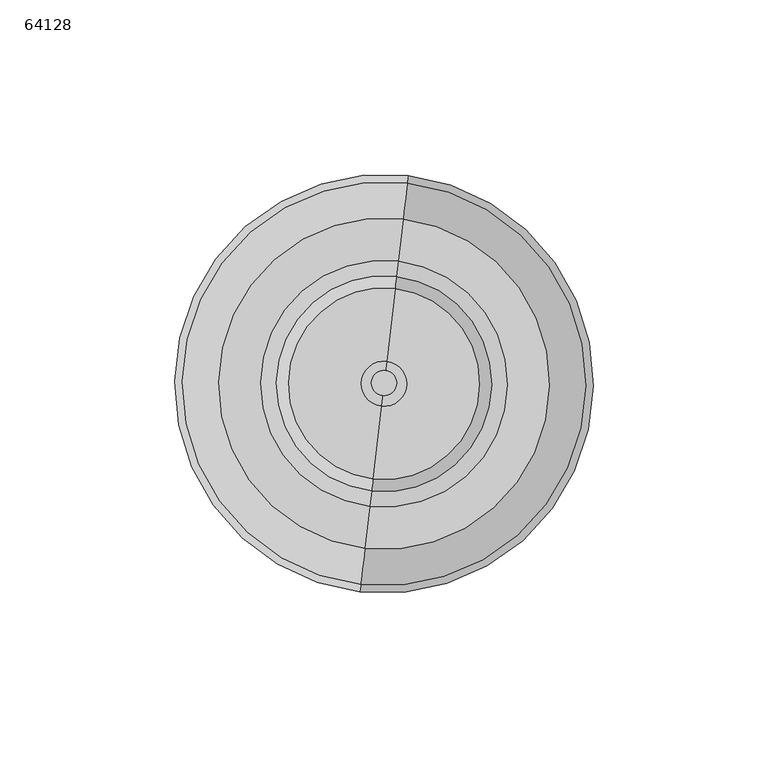
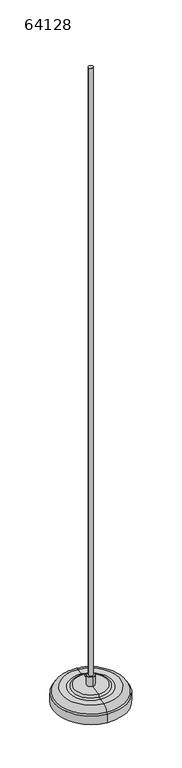
"""IFC4 building model written with IfcOpenShell, lengths in millimetres: light fixture geometry, 64128."""

from ifc_helpers import new_model, si_unit, point, frame, frame_2d, origin, origin_with_axes, origin_2d, place, context, project, spatial, polyline, circle_curve, ellipse_curve, trimmed, segment, composite_curve, outline, extrude, source, transform, mapped, element, save
from ifc_brep_helpers import plane_surface, cylinder_surface, revolved_surface, advanced_brep


def light_fixture_64128_8e69346f(model_context):
    return source(origin(), model_context, "Body", "SolidModel", [
        extrude(outline(polyline([(2.4123133, -56.5444702), (-15.269553, -54.4971294), (-2.4123133, 56.5444702), (15.269553, 54.4971294), (2.4123133, -56.5444702)]), holes=[composite_curve([segment(trimmed(circle_curve(origin_2d(), 5.0), [point((0.5750957, 4.9668164))], [point((-0.5750957, -4.9668164))], True, "CARTESIAN"), True, "CONTINUOUS"), segment(trimmed(circle_curve(origin_2d(), 5.0), [point((-0.5750957, -4.9668164))], [point((0.5750957, 4.9668164))], True, "CARTESIAN"), True, "CONTINUOUS")], self_intersect=False), composite_curve([segment(polyline([(6.9671096, 39.3053769), (8.1403049, 49.4376823)]), True, "CONTINUOUS"), segment(trimmed(circle_curve(frame_2d((5.756233, 49.7137283)), 2.4), [point((8.1403049, 49.4376823))], [point((3.3721611, 49.9897742))], True, "CARTESIAN"), True, "CONTINUOUS"), segment(polyline([(3.3721611, 49.9897742), (2.1989659, 39.8574688)]), True, "CONTINUOUS"), segment(trimmed(circle_curve(frame_2d((4.5830377, 39.5814229)), 2.4), [point((2.1989659, 39.8574688))], [point((6.9671096, 39.3053769))], True, "CARTESIAN"), True, "CONTINUOUS")], self_intersect=False), composite_curve([segment(polyline([(-2.4101812, -42.5510516), (-7.3769976, -41.9759559)]), True, "CONTINUOUS"), segment(trimmed(circle_curve(frame_2d((-7.6530436, -44.3600277)), 2.4), [point((-7.3769976, -41.9759559))], [point((-7.9290895, -46.7440996))], True, "CARTESIAN"), True, "CONTINUOUS"), segment(polyline([(-7.9290895, -46.7440996), (-2.9622731, -47.3191953)]), True, "CONTINUOUS"), segment(trimmed(circle_curve(frame_2d((-2.6862272, -44.9351234)), 2.4), [point((-2.9622731, -47.3191953))], [point((-2.4101812, -42.5510516))], True, "CARTESIAN"), True, "CONTINUOUS")], self_intersect=False)]), origin_with_axes(), (0.0, 0.0, 1.0), 2.0),
        advanced_brep(
        [(-3.5602957, -30.7485077, 27.0266614), (3.5602957, 30.7485077, 27.0266614), (4.0663484, 35.1190339, 25.9752749), (-4.0663484, -35.1190339, 25.9752749), (-3.1619698, -27.3083645, 29.9954966), (3.1619698, 27.3083645, 29.9954966), (-0.7433622, -6.4200502, 29.9954966), (0.7433622, 6.4200502, 29.9954966), (-0.7433622, -6.4200502, 47.0030052), (0.7433622, 6.4200502, 47.0030052), (-0.3450574, -2.9800898, 47.0030052), (0.3450574, 2.9800898, 47.0030052), (-0.3450574, -2.9800898, 42.0030052), (0.3450574, 2.9800898, 42.0030052), (0.0, 0.0, 42.0030052), (-6.7861295, -58.6084332, 12.0030052), (6.7861295, 58.6084332, 12.0030052), (0.0, 0.0, 12.0030052), (-6.7861295, -58.6084332, 0.0), (6.7861295, 58.6084332, 0.0), (-6.9011486, -59.6017965, 0.0), (6.9011486, 59.6017965, 0.0), (-6.9011486, -59.6017965, 15.0283787), (6.9011486, 59.6017965, 15.0283787), (-6.6617847, -57.5345286, 17.0076488), (6.6617847, 57.5345286, 17.0076488), (-5.4667263, -47.2134028, 25.9752749), (5.4667263, 47.2134028, 25.9752749)],
        [
            (0, 1, circle_curve(frame((0.0, 0.0, 27.0266614), z_axis=(0.0, 0.0, -1.0), x_axis=(0.11501914387783876, 0.9933632752128544, 0.0)), 30.9539405)),
            (1, 2, circle_curve(frame((4.1136901, 35.5279004, 37.4291215), z_axis=(0.9933632752128544, -0.11501914387783876, 0.0), x_axis=(-0.11501914387783876, -0.9933632752128544, 0.0)), 11.4612397)),
            (2, 3, circle_curve(frame((0.0, 0.0, 25.9752749), z_axis=(0.0, 0.0, 1.0), x_axis=(0.11501914387783876, 0.9933632752128544, 0.0)), 35.3536664)),
            (3, 0, circle_curve(frame((-4.1136901, -35.5279004, 37.4291215), z_axis=(0.9933632752128541, -0.11501914387784197, 0.0), x_axis=(0.11501914387784197, 0.9933632752128541, 0.0)), 11.4612397)),
            (1, 0, circle_curve(frame((0.0, 0.0, 27.0266614), z_axis=(0.0, 0.0, -1.0), x_axis=(0.11501914387783876, 0.9933632752128544, 0.0)), 30.9539405)),
            (3, 2, circle_curve(frame((0.0, 0.0, 25.9752749), z_axis=(0.0, 0.0, 1.0), x_axis=(0.11501914387783876, 0.9933632752128544, 0.0)), 35.3536664)),
            (4, 5, circle_curve(frame((0.0, 0.0, 29.9954966), z_axis=(0.0, 0.0, -1.0), x_axis=(0.11501914387783876, 0.9933632752128544, 0.0)), 27.4908135)),
            (5, 1, circle_curve(frame((2.9275749, 25.2840118, 24.1140503), z_axis=(-0.9933632752128544, 0.11501914387783876, 0.0), x_axis=(-0.11501914387783876, -0.9933632752128544, 0.0)), 6.2244964)),
            (0, 4, circle_curve(frame((-2.9275749, -25.2840118, 24.1140503), z_axis=(-0.9933632752128541, 0.11501914387784197, 0.0), x_axis=(0.11501914387784197, 0.9933632752128541, 0.0)), 6.2244964)),
            (5, 4, circle_curve(frame((0.0, 0.0, 29.9954966), z_axis=(0.0, 0.0, -1.0), x_axis=(0.11501914387783876, 0.9933632752128544, 0.0)), 27.4908135)),
            (6, 7, circle_curve(frame((0.0, 0.0, 29.9954966), z_axis=(0.0, 0.0, -1.0), x_axis=(0.11501914387783876, 0.9933632752128544, 0.0)), 6.462943)),
            (7, 5),
            (4, 6),
            (7, 6, circle_curve(frame((0.0, 0.0, 29.9954966), z_axis=(0.0, 0.0, -1.0), x_axis=(0.11501914387783876, 0.9933632752128544, 0.0)), 6.462943)),
            (8, 9, circle_curve(frame((0.0, 0.0, 47.0030052), z_axis=(0.0, 0.0, -1.0), x_axis=(0.11501914387783876, 0.9933632752128544, 0.0)), 6.462943)),
            (9, 7),
            (6, 8),
            (9, 8, circle_curve(frame((0.0, 0.0, 47.0030052), z_axis=(0.0, 0.0, -1.0), x_axis=(0.11501914387783876, 0.9933632752128544, 0.0)), 6.462943)),
            (10, 11, circle_curve(frame((0.0, 0.0, 47.0030052), z_axis=(0.0, 0.0, -1.0), x_axis=(0.11501914387783876, 0.9933632752128544, 0.0)), 3.0)),
            (11, 9),
            (8, 10),
            (11, 10, circle_curve(frame((0.0, 0.0, 47.0030052), z_axis=(0.0, 0.0, -1.0), x_axis=(0.11501914387783876, 0.9933632752128544, 0.0)), 3.0)),
            (12, 13, circle_curve(frame((0.0, 0.0, 42.0030052), z_axis=(0.0, 0.0, -1.0), x_axis=(0.11501914387783876, 0.9933632752128544, 0.0)), 3.0)),
            (13, 11),
            (10, 12),
            (13, 12, circle_curve(frame((0.0, 0.0, 42.0030052), z_axis=(0.0, 0.0, -1.0), x_axis=(0.11501914387783876, 0.9933632752128544, 0.0)), 3.0)),
            (14, 13),
            (12, 14),
            (15, 16, circle_curve(frame((0.0, 0.0, 12.0030052), z_axis=(0.0, 0.0, -1.0), x_axis=(0.11501914387783876, 0.9933632752128544, 0.0)), 59.0)),
            (16, 17),
            (17, 15),
            (16, 15, circle_curve(frame((0.0, 0.0, 12.0030052), z_axis=(0.0, 0.0, -1.0), x_axis=(0.11501914387783876, 0.9933632752128544, 0.0)), 59.0)),
            (18, 19, circle_curve(frame((0.0, 0.0, 0.0), z_axis=(0.0, 0.0, -1.0), x_axis=(0.11501914387783876, 0.9933632752128544, 0.0)), 59.0)),
            (19, 16),
            (15, 18),
            (19, 18, circle_curve(frame((0.0, 0.0, 0.0), z_axis=(0.0, 0.0, -1.0), x_axis=(0.11501914387783876, 0.9933632752128544, 0.0)), 59.0)),
            (20, 21, circle_curve(frame((0.0, 0.0, 0.0), z_axis=(0.0, 0.0, -1.0), x_axis=(0.11501914387783876, 0.9933632752128544, 0.0)), 60.0)),
            (21, 19),
            (18, 20),
            (21, 20, circle_curve(frame((0.0, 0.0, 0.0), z_axis=(0.0, 0.0, -1.0), x_axis=(0.11501914387783876, 0.9933632752128544, 0.0)), 60.0)),
            (22, 23, circle_curve(frame((0.0, 0.0, 15.0283787), z_axis=(0.0, 0.0, -1.0), x_axis=(0.11501914387783876, 0.9933632752128544, 0.0)), 60.0)),
            (23, 21),
            (20, 22),
            (23, 22, circle_curve(frame((0.0, 0.0, 15.0283787), z_axis=(0.0, 0.0, -1.0), x_axis=(0.11501914387783876, 0.9933632752128544, 0.0)), 60.0)),
            (24, 25, circle_curve(frame((0.0, 0.0, 17.0076488), z_axis=(0.0, 0.0, -1.0), x_axis=(0.11501914387783876, 0.9933632752128544, 0.0)), 57.9189206)),
            (25, 23, circle_curve(frame((6.6196665, 57.1707753, 14.5389317), z_axis=(-0.9933632752128544, 0.11501914387783876, 0.0), x_axis=(-0.11501914387783876, -0.9933632752128544, 0.0)), 2.4957273)),
            (22, 24, circle_curve(frame((-6.6196665, -57.1707753, 14.5389317), z_axis=(-0.9933632752128541, 0.11501914387784197, 0.0), x_axis=(0.11501914387784197, 0.9933632752128541, 0.0)), 2.4957273)),
            (25, 24, circle_curve(frame((0.0, 0.0, 17.0076488), z_axis=(0.0, 0.0, -1.0), x_axis=(0.11501914387783876, 0.9933632752128544, 0.0)), 57.9189206)),
            (26, 27, circle_curve(frame((0.0, 0.0, 25.9752749), z_axis=(0.0, 0.0, -1.0), x_axis=(0.11501914387783876, 0.9933632752128544, 0.0)), 47.5288387)),
            (27, 25, circle_curve(frame((5.4667263, 47.2134028, 15.4723771), z_axis=(-0.9933632752128544, 0.11501914387783876, 0.0), x_axis=(-0.11501914387783876, -0.9933632752128544, 0.0)), 10.5028978)),
            (24, 26, circle_curve(frame((-5.4667263, -47.2134028, 15.4723771), z_axis=(-0.9933632752128541, 0.11501914387784197, 0.0), x_axis=(0.11501914387784197, 0.9933632752128541, 0.0)), 10.5028978)),
            (27, 26, circle_curve(frame((0.0, 0.0, 25.9752749), z_axis=(0.0, 0.0, -1.0), x_axis=(0.11501914387783876, 0.9933632752128544, 0.0)), 47.5288387)),
            (2, 27),
            (26, 3),
        ],
        [
            revolved_surface(trimmed(ellipse_curve(frame((4.1136901, 35.5279004, 37.4291215), z_axis=(-0.9933632752128544, 0.11501914387783876, 0.0), x_axis=(-0.11501914387783876, -0.9933632752128544, 0.0)), 11.4612397, 11.4612397), [point((4.0663484, 35.1190339, 25.9752749))], [point((3.5602957, 30.7485077, 27.0266614))], True, "CARTESIAN"), (0.0, 0.0, 1792.7915513), (0.0, 0.0, 1.0)),
            revolved_surface(trimmed(ellipse_curve(frame((2.9275749, 25.2840118, 24.1140503), z_axis=(0.9933632752128544, -0.11501914387783876, 0.0), x_axis=(-0.11501914387783876, -0.9933632752128544, 0.0)), 6.2244964, 6.2244964), [point((3.5602957, 30.7485077, 27.0266614))], [point((3.1619698, 27.3083645, 29.9954966))], True, "CARTESIAN"), (0.0, 0.0, 1792.7915513), (0.0, 0.0, 1.0)),
            plane_surface(frame((0.0, 0.0, 29.9954966), z_axis=(0.0, 0.0, 1.0000000000000002), x_axis=(0.11501914387783876, 0.9933632752128544, 0.0))),
            cylinder_surface(frame((0.0, 0.0, 1792.7915513), z_axis=(0.0, 0.0, 1.0), x_axis=(0.11501914387783876, 0.9933632752128544, 0.0)), 6.462943),
            plane_surface(frame((0.0, 0.0, 47.0030052), z_axis=(0.0, 0.0, 1.0000000000000002), x_axis=(0.11501914387783876, 0.9933632752128544, 0.0))),
            revolved_surface(polyline([(0.3450574316335163, 2.9800898256385633, 47.00300519999996), (0.3450574316335163, 2.9800898256385633, 42.00300519999996)]), (0.0, 0.0, 1792.7915513), (0.0, 0.0, 1.0)),
            plane_surface(frame((0.0, 0.0, 42.0030052), z_axis=(0.0, 0.0, 1.0000000000000002), x_axis=(0.11501914387783876, 0.9933632752128544, 0.0))),
            plane_surface(frame((0.0, 0.0, 12.0030052), z_axis=(0.0, 0.0, -1.0000000000000002), x_axis=(0.11501914387783876, 0.9933632752128544, 0.0))),
            revolved_surface(polyline([(6.786129488792487, 58.60843323755841, 12.003005199999961), (6.786129488792487, 58.60843323755841, 0.0)]), (0.0, 0.0, 1792.7915513), (0.0, 0.0, 1.0)),
            plane_surface(frame((0.0, 0.0, 0.0), z_axis=(0.0, 0.0, -1.0000000000000002), x_axis=(0.11501914387783876, 0.9933632752128544, 0.0))),
            cylinder_surface(frame((0.0, 0.0, 1792.7915513), z_axis=(0.0, 0.0, 1.0), x_axis=(0.11501914387783876, 0.9933632752128544, 0.0)), 60.0),
            revolved_surface(trimmed(ellipse_curve(frame((6.6196665, 57.1707753, 14.5389317), z_axis=(0.9933632752128544, -0.11501914387783876, 0.0), x_axis=(-0.11501914387783876, -0.9933632752128544, 0.0)), 2.4957273, 2.4957273), [point((6.9011486, 59.6017965, 15.0283787))], [point((6.6617847, 57.5345286, 17.0076488))], True, "CARTESIAN"), (0.0, 0.0, 1792.7915513), (0.0, 0.0, 1.0)),
            revolved_surface(trimmed(ellipse_curve(frame((5.4667263, 47.2134028, 15.4723771), z_axis=(0.9933632752128544, -0.11501914387783876, 0.0), x_axis=(-0.11501914387783876, -0.9933632752128544, 0.0)), 10.5028978, 10.5028978), [point((6.6617847, 57.5345286, 17.0076488))], [point((5.4667263, 47.2134028, 25.9752749))], True, "CARTESIAN"), (0.0, 0.0, 1792.7915513), (0.0, 0.0, 1.0)),
            plane_surface(frame((0.0, 0.0, 25.9752749), z_axis=(0.0, 0.0, 1.0000000000000002), x_axis=(0.11501914387783876, 0.9933632752128544, 0.0))),
        ],
        [
            (0, [[1, 2, 3, 4]]),
            (0, [[5, -4, 6, -2]]),
            (1, [[7, 8, -1, 9]]),
            (1, [[10, -9, -5, -8]]),
            (2, [[11, 12, -7, 13]]),
            (2, [[14, -13, -10, -12]]),
            (3, [[15, 16, -11, 17]]),
            (3, [[18, -17, -14, -16]]),
            (4, [[19, 20, -15, 21]]),
            (4, [[22, -21, -18, -20]]),
            (5, [[23, 24, -19, 25]]),
            (5, [[26, -25, -22, -24]]),
            (6, [[27, -23, 28]]),
            (6, [[-28, -26, -27]]),
            (7, [[29, 30, 31]]),
            (7, [[32, -31, -30]]),
            (8, [[33, 34, -29, 35]]),
            (8, [[36, -35, -32, -34]]),
            (9, [[37, 38, -33, 39]]),
            (9, [[40, -39, -36, -38]]),
            (10, [[41, 42, -37, 43]]),
            (10, [[44, -43, -40, -42]]),
            (11, [[45, 46, -41, 47]]),
            (11, [[48, -47, -44, -46]]),
            (12, [[49, 50, -45, 51]]),
            (12, [[52, -51, -48, -50]]),
            (13, [[-3, 53, -49, 54]]),
            (13, [[-6, -54, -52, -53]]),
        ],
    ),
        extrude(outline(composite_curve([segment(trimmed(circle_curve(origin_2d(), 3.6), [point((-3.6, 0.0))], [point((3.6, 0.0))], False, "CARTESIAN"), True, "CONTINUOUS"), segment(trimmed(circle_curve(origin_2d(), 3.6), [point((3.6, 0.0))], [point((-3.6, 0.0))], False, "CARTESIAN"), True, "CONTINUOUS")], self_intersect=False)), frame((0.0, 0.0, 42.0030052), z_axis=(0.0, 0.0, 1.0), x_axis=(1.0, 0.0, 0.0)), (0.0, 0.0, 1.0), 1092.5753424),
    ])


if __name__ == "__main__":
    model = new_model("IFC4")
    model_context = context("Model", 3, world=origin())
    ifc_project = project(units=[si_unit("LENGTHUNIT", "METRE", prefix="MILLI")], contexts=[model_context])
    site = spatial("IfcSite", under=ifc_project)
    building = spatial("IfcBuilding", under=site)
    placement = place(None, origin())
    light_fixture_64128_shape = light_fixture_64128_8e69346f(model_context)
    element("IfcLightFixture", 1, ObjectType="64128", at=placement, inside=building, context=model_context, shape_type="MappedRepresentation", body=[
        mapped(light_fixture_64128_shape, transform((0.0, 0.0, 0.0), x_axis=(1.0, 0.0, 0.0), y_axis=(0.0, 1.0, 0.0), z_axis=(0.0, 0.0, 1.0))),
    ])
    save(model, "model.ifc")
